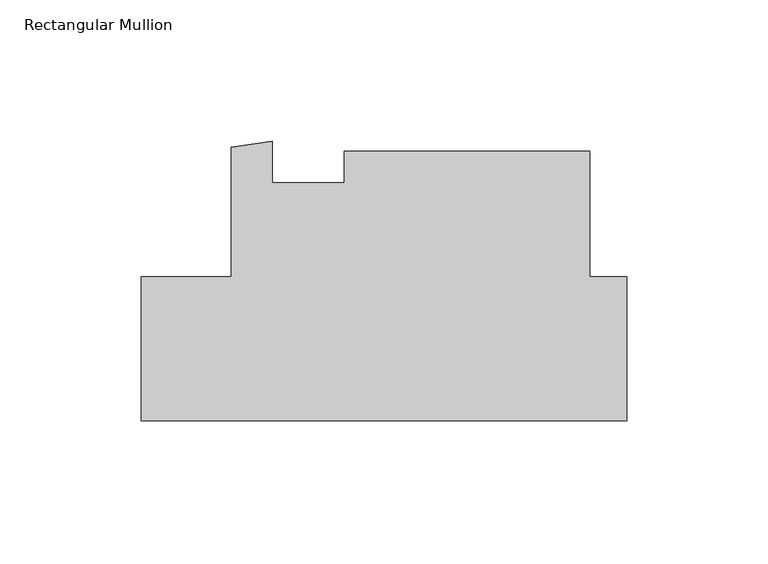
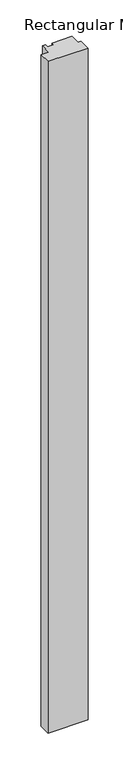
"""IFC4 building model written with IfcOpenShell, lengths in millimetres: member geometry, Rectangular Mullion."""

import ifcopenshell
import ifcopenshell.guid

model = None  # the IFC model being written
_history = None  # IfcOwnerHistory: only IFC2X3 demands one
_inside = {}  # id of a spatial element -> (the spatial element, [elements in it])
_under = {}  # id of a project, library or spatial element -> (it, [spatial elements below it])
_declared = {}  # id of a project -> (the project, [libraries it declares])
_typed = {}  # id of a type object -> (the type object, [elements of that type])
_made_of = {}  # id of a material, layer set ... -> (it, [elements and type objects made of it])


def new_model(schema):
    """Start an empty IFC model of exactly this schema.

    Asked for "IFC4X3", IfcOpenShell would pick the latest addendum, in which some entities
    have other attributes; the version numbers below select the first issue.
    IFC2X3 requires an IfcOwnerHistory on every rooted entity: one is made here for all.
    """
    global model, _history
    if schema == "IFC4X3":
        model = ifcopenshell.file(schema_version=(4, 3, 0, 0))
    else:
        model = ifcopenshell.file(schema=schema)
    _inside.clear()
    _under.clear()
    _declared.clear()
    _typed.clear()
    _made_of.clear()
    _history = None
    if model.schema == "IFC2X3":
        org = make("IfcOrganization", Name="unknown")
        user = make(
            "IfcPersonAndOrganization",
            ThePerson=make("IfcPerson", FamilyName="unknown"),
            TheOrganization=org,
        )
        app = make(
            "IfcApplication",
            ApplicationDeveloper=org,
            Version="unknown",
            ApplicationFullName="unknown",
            ApplicationIdentifier="unknown",
        )
        _history = make(
            "IfcOwnerHistory",
            OwningUser=user,
            OwningApplication=app,
            ChangeAction="ADDED",
            CreationDate=0,
        )
    return model


def make(cls, **values):
    """One entity of the class cls with the attributes given. An attribute that is None is left unset."""
    return model.create_entity(
        cls, **{name: value for name, value in values.items() if value is not None}
    )


def rooted(cls, **values):
    """An entity with a GlobalId (a new one), such as an element, a storey or a relation."""
    return make(cls, GlobalId=ifcopenshell.guid.new(), OwnerHistory=_history, **values)


def si_unit(unit_type, name, prefix=None):
    """IfcSIUnit, for example si_unit("LENGTHUNIT", "METRE", prefix="MILLI")."""
    return make("IfcSIUnit", UnitType=unit_type, Prefix=prefix, Name=name)


def assignment(units):
    """IfcUnitAssignment: the units of a project."""
    return None if units is None else make("IfcUnitAssignment", Units=units)


def point(xyz):
    """IfcCartesianPoint."""
    return None if xyz is None else make("IfcCartesianPoint", Coordinates=xyz)


def direction(xyz):
    """IfcDirection."""
    return None if xyz is None else make("IfcDirection", DirectionRatios=xyz)


def frame(location, z_axis=None, x_axis=None):
    """IfcAxis2Placement3D, a coordinate frame: its origin and axes. An axis left out is left unset."""
    return make(
        "IfcAxis2Placement3D",
        Location=point(location),
        Axis=direction(z_axis),
        RefDirection=direction(x_axis),
    )


def origin():
    """The frame at (0, 0, 0) with its axes left unset."""
    return frame((0.0, 0.0, 0.0))


def place(relative_to, where):
    """IfcLocalPlacement: puts the frame where relative to a parent placement (None: the world)."""
    return make(
        "IfcLocalPlacement", PlacementRelTo=relative_to, RelativePlacement=where
    )


def context(
    kind, dimensions, precision=None, world=None, true_north=None, identifier=None
):
    """IfcGeometricRepresentationContext, for example the 3D "Model" context."""
    return make(
        "IfcGeometricRepresentationContext",
        ContextIdentifier=identifier,
        ContextType=kind,
        CoordinateSpaceDimension=dimensions,
        Precision=precision,
        WorldCoordinateSystem=world,
        TrueNorth=true_north,
    )


def project(units=None, contexts=None):
    """IfcProject with its units and contexts."""
    return rooted(
        "IfcProject",
        Name="project",
        RepresentationContexts=contexts,
        UnitsInContext=assignment(units),
    )


def spatial(cls, under=None, at=None, **own):
    """A site, building, storey or space (cls), placed at a placement, below another one or the project."""
    s = rooted(cls, ObjectPlacement=at, **own)
    if under is not None:
        _under.setdefault(under.id(), (under, []))[1].append(s)
    return s


def polyline(points):
    """IfcPolyline through the points."""
    return make("IfcPolyline", Points=[point(p) for p in points])


def outline(outer, holes=None, kind="AREA"):
    """IfcArbitraryClosedProfileDef: a profile drawn as a closed curve; with holes, ...WithVoids."""
    if holes is None:
        return make("IfcArbitraryClosedProfileDef", ProfileType=kind, OuterCurve=outer)
    return make(
        "IfcArbitraryProfileDefWithVoids",
        ProfileType=kind,
        OuterCurve=outer,
        InnerCurves=holes,
    )


def extrude(swept, where, along, depth):
    """IfcExtrudedAreaSolid: the profile swept, set in the frame where, extruded along a direction by depth."""
    return make(
        "IfcExtrudedAreaSolid",
        SweptArea=swept,
        Position=where,
        ExtrudedDirection=direction(along),
        Depth=depth,
    )


def shape(context_of_items, identifier, shape_type, items):
    """IfcShapeRepresentation: the items that make up one representation, for example the "Body"."""
    return make(
        "IfcShapeRepresentation",
        ContextOfItems=context_of_items,
        RepresentationIdentifier=identifier,
        RepresentationType=shape_type,
        Items=items,
    )


def source(mapping_origin, context_of_items, identifier, shape_type, items):
    """IfcRepresentationMap: a shape defined once, which mapped items show again and again."""
    return make(
        "IfcRepresentationMap",
        MappingOrigin=mapping_origin,
        MappedRepresentation=shape(context_of_items, identifier, shape_type, items),
    )


def transform(
    local_origin,
    x_axis=None,
    y_axis=None,
    z_axis=None,
    scale=None,
    scale2=None,
    scale3=None,
    uniform=True,
):
    """IfcCartesianTransformationOperator3D, or its non-uniform kind. x_axis, y_axis, z_axis: its Axis1, 2, 3."""
    if uniform:
        return make(
            "IfcCartesianTransformationOperator3D",
            Axis1=direction(x_axis),
            Axis2=direction(y_axis),
            LocalOrigin=point(local_origin),
            Scale=scale,
            Axis3=direction(z_axis),
        )
    return make(
        "IfcCartesianTransformationOperator3DnonUniform",
        Axis1=direction(x_axis),
        Axis2=direction(y_axis),
        LocalOrigin=point(local_origin),
        Scale=scale,
        Axis3=direction(z_axis),
        Scale2=scale2,
        Scale3=scale3,
    )


def mapped(mapping_source, mapping_target):
    """IfcMappedItem: shows the shape of a source again, moved by a transform."""
    return make(
        "IfcMappedItem", MappingSource=mapping_source, MappingTarget=mapping_target
    )


def made_of(thing, what):
    """Note that an element or type object is made of a material, layer set ...; save() writes the relation."""
    if what is not None:
        _made_of.setdefault(what.id(), (what, []))[1].append(thing)
    return thing


def element(
    cls,
    number,
    at=None,
    inside=None,
    cuts=None,
    type_object=None,
    material=None,
    context=None,
    identifier="Body",
    shape_type=None,
    held_by="IfcProductDefinitionShape",
    body=None,
    shapes=None,
    **own,
):
    """One element of the class cls, such as IfcWall. Its Tag is "e" and its number.

    at: its placement. inside: the storey or other place that contains it. cuts: it is an
    opening in that element (IfcRelVoidsElement). A single representation is given by context,
    identifier, shape_type and body (its items); several are given by shapes. held_by: the class
    of the entity that holds the representations. save() writes the other relations.
    """
    e = rooted(cls, Tag="e%d" % number, ObjectPlacement=at, **own)
    if body is not None:
        shapes = [shape(context, identifier, shape_type, body)]
    if shapes is not None:
        e.Representation = make(held_by, Representations=shapes)
    if inside is not None:
        _inside.setdefault(inside.id(), (inside, []))[1].append(e)
    if cuts is not None:
        rooted(
            "IfcRelVoidsElement", RelatingBuildingElement=cuts, RelatedOpeningElement=e
        )
    if type_object is not None:
        _typed.setdefault(type_object.id(), (type_object, []))[1].append(e)
    return made_of(e, material)


def aggregate(whole, parts):
    """IfcRelAggregates: a whole, such as a stair, and the parts it consists of."""
    return rooted("IfcRelAggregates", RelatingObject=whole, RelatedObjects=parts)


def save(model, path):
    """Write the relations noted so far, then the file.

    IfcRelAggregates (storeys below a building ...), IfcRelContainedInSpatialStructure (elements
    in a storey), IfcRelDefinesByType, IfcRelAssociatesMaterial and IfcRelDeclares: one each for
    every whole, place, type object, material and project.
    """
    for whole, parts in _under.values():
        aggregate(whole, parts)
    for where, things in _inside.values():
        rooted(
            "IfcRelContainedInSpatialStructure",
            RelatedElements=things,
            RelatingStructure=where,
        )
    for kind, things in _typed.values():
        rooted("IfcRelDefinesByType", RelatedObjects=things, RelatingType=kind)
    for what, things in _made_of.values():
        rooted("IfcRelAssociatesMaterial", RelatedObjects=things, RelatingMaterial=what)
    for by, libraries in _declared.values():
        rooted("IfcRelDeclares", RelatingContext=by, RelatedDefinitions=libraries)
    model.write(path)


def rectangular_mullion_cc7df268(model_context):
    return source(origin(), model_context, "Body", "SweptSolid", [
        extrude(outline(polyline([(-171.4499999, 0.808408), (-139.7010309, 0.808408), (-139.7010309, 46.5987903), (-125.1965715, 48.6545404), (-125.1965715, 34.145908), (-99.7975059, 34.145908), (-99.7975059, 45.258408), (-12.9550309, 45.258408), (-12.9550309, 0.8338083), (0.0, 0.8338083), (0.0, -49.991592), (-171.4499999, -49.991592), (-171.4499999, 0.808408)])), frame((0.0, 0.0, -3048.0), z_axis=(0.0, 0.0, 1.0), x_axis=(1.0, 0.0, 0.0)), (0.0, 0.0, 1.0), 3048.0),
    ])


if __name__ == "__main__":
    model = new_model("IFC4")
    model_context = context("Model", 3, world=origin())
    ifc_project = project(units=[si_unit("LENGTHUNIT", "METRE", prefix="MILLI")], contexts=[model_context])
    site = spatial("IfcSite", under=ifc_project)
    building = spatial("IfcBuilding", under=site)
    placement = place(None, origin())
    rectangular_mullion_shape = rectangular_mullion_cc7df268(model_context)
    element("IfcMember", 1, ObjectType="Rectangular Mullion", at=placement, inside=building, context=model_context, shape_type="MappedRepresentation", body=[
        mapped(rectangular_mullion_shape, transform((0.0, 0.0, 0.0), x_axis=(1.0, 0.0, 0.0), y_axis=(0.0, 1.0, 0.0), z_axis=(0.0, 0.0, 1.0))),
    ])
    save(model, "model.ifc")
